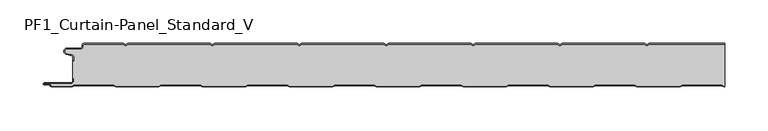
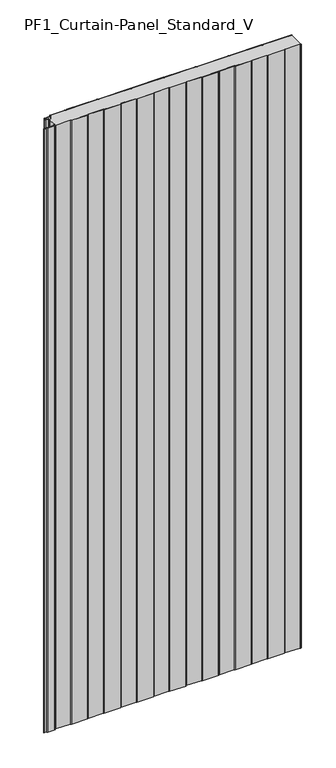
"""IFC4 building model written with IfcOpenShell, lengths in millimetres: plate geometry, PF1_Curtain-Panel_Standard_V."""

import ifcopenshell
import ifcopenshell.guid

model = None  # the IFC model being written
_history = None  # IfcOwnerHistory: only IFC2X3 demands one
_inside = {}  # id of a spatial element -> (the spatial element, [elements in it])
_under = {}  # id of a project, library or spatial element -> (it, [spatial elements below it])
_declared = {}  # id of a project -> (the project, [libraries it declares])
_typed = {}  # id of a type object -> (the type object, [elements of that type])
_made_of = {}  # id of a material, layer set ... -> (it, [elements and type objects made of it])


def new_model(schema):
    """Start an empty IFC model of exactly this schema.

    Asked for "IFC4X3", IfcOpenShell would pick the latest addendum, in which some entities
    have other attributes; the version numbers below select the first issue.
    IFC2X3 requires an IfcOwnerHistory on every rooted entity: one is made here for all.
    """
    global model, _history
    if schema == "IFC4X3":
        model = ifcopenshell.file(schema_version=(4, 3, 0, 0))
    else:
        model = ifcopenshell.file(schema=schema)
    _inside.clear()
    _under.clear()
    _declared.clear()
    _typed.clear()
    _made_of.clear()
    _history = None
    if model.schema == "IFC2X3":
        org = make("IfcOrganization", Name="unknown")
        user = make(
            "IfcPersonAndOrganization",
            ThePerson=make("IfcPerson", FamilyName="unknown"),
            TheOrganization=org,
        )
        app = make(
            "IfcApplication",
            ApplicationDeveloper=org,
            Version="unknown",
            ApplicationFullName="unknown",
            ApplicationIdentifier="unknown",
        )
        _history = make(
            "IfcOwnerHistory",
            OwningUser=user,
            OwningApplication=app,
            ChangeAction="ADDED",
            CreationDate=0,
        )
    return model


def make(cls, **values):
    """One entity of the class cls with the attributes given. An attribute that is None is left unset."""
    return model.create_entity(
        cls, **{name: value for name, value in values.items() if value is not None}
    )


def rooted(cls, **values):
    """An entity with a GlobalId (a new one), such as an element, a storey or a relation."""
    return make(cls, GlobalId=ifcopenshell.guid.new(), OwnerHistory=_history, **values)


def si_unit(unit_type, name, prefix=None):
    """IfcSIUnit, for example si_unit("LENGTHUNIT", "METRE", prefix="MILLI")."""
    return make("IfcSIUnit", UnitType=unit_type, Prefix=prefix, Name=name)


def assignment(units):
    """IfcUnitAssignment: the units of a project."""
    return None if units is None else make("IfcUnitAssignment", Units=units)


def point(xyz):
    """IfcCartesianPoint."""
    return None if xyz is None else make("IfcCartesianPoint", Coordinates=xyz)


def direction(xyz):
    """IfcDirection."""
    return None if xyz is None else make("IfcDirection", DirectionRatios=xyz)


def frame(location, z_axis=None, x_axis=None):
    """IfcAxis2Placement3D, a coordinate frame: its origin and axes. An axis left out is left unset."""
    return make(
        "IfcAxis2Placement3D",
        Location=point(location),
        Axis=direction(z_axis),
        RefDirection=direction(x_axis),
    )


def frame_2d(location, x_axis=None):
    """IfcAxis2Placement2D, a coordinate frame in the plane: its origin and x axis."""
    return make(
        "IfcAxis2Placement2D", Location=point(location), RefDirection=direction(x_axis)
    )


def origin():
    """The frame at (0, 0, 0) with its axes left unset."""
    return frame((0.0, 0.0, 0.0))


def origin_with_axes():
    """The frame at (0, 0, 0) with the z axis (0, 0, 1) and the x axis (1, 0, 0) written out."""
    return frame((0.0, 0.0, 0.0), z_axis=(0.0, 0.0, 1.0), x_axis=(1.0, 0.0, 0.0))


def place(relative_to, where):
    """IfcLocalPlacement: puts the frame where relative to a parent placement (None: the world)."""
    return make(
        "IfcLocalPlacement", PlacementRelTo=relative_to, RelativePlacement=where
    )


def context(
    kind, dimensions, precision=None, world=None, true_north=None, identifier=None
):
    """IfcGeometricRepresentationContext, for example the 3D "Model" context."""
    return make(
        "IfcGeometricRepresentationContext",
        ContextIdentifier=identifier,
        ContextType=kind,
        CoordinateSpaceDimension=dimensions,
        Precision=precision,
        WorldCoordinateSystem=world,
        TrueNorth=true_north,
    )


def project(units=None, contexts=None):
    """IfcProject with its units and contexts."""
    return rooted(
        "IfcProject",
        Name="project",
        RepresentationContexts=contexts,
        UnitsInContext=assignment(units),
    )


def spatial(cls, under=None, at=None, **own):
    """A site, building, storey or space (cls), placed at a placement, below another one or the project."""
    s = rooted(cls, ObjectPlacement=at, **own)
    if under is not None:
        _under.setdefault(under.id(), (under, []))[1].append(s)
    return s


def polyline(points):
    """IfcPolyline through the points."""
    return make("IfcPolyline", Points=[point(p) for p in points])


def circle_curve(where, radius):
    """IfcCircle in the frame where."""
    return make("IfcCircle", Position=where, Radius=radius)


def trimmed(basis, trim1, trim2, sense, master):
    """IfcTrimmedCurve: the piece of a basis curve between two trims."""
    return make(
        "IfcTrimmedCurve",
        BasisCurve=basis,
        Trim1=trim1,
        Trim2=trim2,
        SenseAgreement=sense,
        MasterRepresentation=master,
    )


def segment(curve, same_sense, transition):
    """IfcCompositeCurveSegment."""
    return make(
        "IfcCompositeCurveSegment",
        Transition=transition,
        SameSense=same_sense,
        ParentCurve=curve,
    )


def composite_curve(segments, self_intersect=None):
    """IfcCompositeCurve: segments joined end to end."""
    return make("IfcCompositeCurve", Segments=segments, SelfIntersect=self_intersect)


def outline(outer, holes=None, kind="AREA"):
    """IfcArbitraryClosedProfileDef: a profile drawn as a closed curve; with holes, ...WithVoids."""
    if holes is None:
        return make("IfcArbitraryClosedProfileDef", ProfileType=kind, OuterCurve=outer)
    return make(
        "IfcArbitraryProfileDefWithVoids",
        ProfileType=kind,
        OuterCurve=outer,
        InnerCurves=holes,
    )


def extrude(swept, where, along, depth):
    """IfcExtrudedAreaSolid: the profile swept, set in the frame where, extruded along a direction by depth."""
    return make(
        "IfcExtrudedAreaSolid",
        SweptArea=swept,
        Position=where,
        ExtrudedDirection=direction(along),
        Depth=depth,
    )


def shape(context_of_items, identifier, shape_type, items):
    """IfcShapeRepresentation: the items that make up one representation, for example the "Body"."""
    return make(
        "IfcShapeRepresentation",
        ContextOfItems=context_of_items,
        RepresentationIdentifier=identifier,
        RepresentationType=shape_type,
        Items=items,
    )


def source(mapping_origin, context_of_items, identifier, shape_type, items):
    """IfcRepresentationMap: a shape defined once, which mapped items show again and again."""
    return make(
        "IfcRepresentationMap",
        MappingOrigin=mapping_origin,
        MappedRepresentation=shape(context_of_items, identifier, shape_type, items),
    )


def transform(
    local_origin,
    x_axis=None,
    y_axis=None,
    z_axis=None,
    scale=None,
    scale2=None,
    scale3=None,
    uniform=True,
):
    """IfcCartesianTransformationOperator3D, or its non-uniform kind. x_axis, y_axis, z_axis: its Axis1, 2, 3."""
    if uniform:
        return make(
            "IfcCartesianTransformationOperator3D",
            Axis1=direction(x_axis),
            Axis2=direction(y_axis),
            LocalOrigin=point(local_origin),
            Scale=scale,
            Axis3=direction(z_axis),
        )
    return make(
        "IfcCartesianTransformationOperator3DnonUniform",
        Axis1=direction(x_axis),
        Axis2=direction(y_axis),
        LocalOrigin=point(local_origin),
        Scale=scale,
        Axis3=direction(z_axis),
        Scale2=scale2,
        Scale3=scale3,
    )


def mapped(mapping_source, mapping_target):
    """IfcMappedItem: shows the shape of a source again, moved by a transform."""
    return make(
        "IfcMappedItem", MappingSource=mapping_source, MappingTarget=mapping_target
    )


def made_of(thing, what):
    """Note that an element or type object is made of a material, layer set ...; save() writes the relation."""
    if what is not None:
        _made_of.setdefault(what.id(), (what, []))[1].append(thing)
    return thing


def element(
    cls,
    number,
    at=None,
    inside=None,
    cuts=None,
    type_object=None,
    material=None,
    context=None,
    identifier="Body",
    shape_type=None,
    held_by="IfcProductDefinitionShape",
    body=None,
    shapes=None,
    **own,
):
    """One element of the class cls, such as IfcWall. Its Tag is "e" and its number.

    at: its placement. inside: the storey or other place that contains it. cuts: it is an
    opening in that element (IfcRelVoidsElement). A single representation is given by context,
    identifier, shape_type and body (its items); several are given by shapes. held_by: the class
    of the entity that holds the representations. save() writes the other relations.
    """
    e = rooted(cls, Tag="e%d" % number, ObjectPlacement=at, **own)
    if body is not None:
        shapes = [shape(context, identifier, shape_type, body)]
    if shapes is not None:
        e.Representation = make(held_by, Representations=shapes)
    if inside is not None:
        _inside.setdefault(inside.id(), (inside, []))[1].append(e)
    if cuts is not None:
        rooted(
            "IfcRelVoidsElement", RelatingBuildingElement=cuts, RelatedOpeningElement=e
        )
    if type_object is not None:
        _typed.setdefault(type_object.id(), (type_object, []))[1].append(e)
    return made_of(e, material)


def aggregate(whole, parts):
    """IfcRelAggregates: a whole, such as a stair, and the parts it consists of."""
    return rooted("IfcRelAggregates", RelatingObject=whole, RelatedObjects=parts)


def save(model, path):
    """Write the relations noted so far, then the file.

    IfcRelAggregates (storeys below a building ...), IfcRelContainedInSpatialStructure (elements
    in a storey), IfcRelDefinesByType, IfcRelAssociatesMaterial and IfcRelDeclares: one each for
    every whole, place, type object, material and project.
    """
    for whole, parts in _under.values():
        aggregate(whole, parts)
    for where, things in _inside.values():
        rooted(
            "IfcRelContainedInSpatialStructure",
            RelatedElements=things,
            RelatingStructure=where,
        )
    for kind, things in _typed.values():
        rooted("IfcRelDefinesByType", RelatedObjects=things, RelatingType=kind)
    for what, things in _made_of.values():
        rooted("IfcRelAssociatesMaterial", RelatedObjects=things, RelatingMaterial=what)
    for by, libraries in _declared.values():
        rooted("IfcRelDeclares", RelatingContext=by, RelatedDefinitions=libraries)
    model.write(path)


def pf1_curtain_panel_standard_v_866d0e67(model_context):
    return source(origin(), model_context, "Body", "SweptSolid", [
        extrude(outline(composite_curve([segment(trimmed(circle_curve(frame_2d((-377.0119739, -15.878557)), 2.0), [point((-375.0119739, -15.878557))], [point((-376.5620718, -13.9298169))], True, "CARTESIAN"), True, "CONTINUOUS"), segment(polyline([(-376.5620718, -13.9298169), (-382.7217978, -12.507732)]), True, "CONTINUOUS"), segment(trimmed(circle_curve(frame_2d((-381.9119739, -9.0)), 3.6), [point((-382.7217978, -12.507732))], [point((-381.9119739, -5.4))], False, "CARTESIAN"), True, "CONTINUOUS"), segment(polyline([(-381.9119739, -5.4), (-366.4119739, -5.4)]), True, "CONTINUOUS"), segment(trimmed(circle_curve(frame_2d((-366.4119739, -3.4)), 2.0), [point((-366.4119739, -5.4))], [point((-364.4119739, -3.4))], True, "CARTESIAN"), True, "CONTINUOUS"), segment(polyline([(-364.4119739, -3.4), (-364.4119739, -2.0)]), True, "CONTINUOUS"), segment(trimmed(circle_curve(frame_2d((-362.4119739, -2.0)), 2.0), [point((-364.4119739, -2.0))], [point((-362.4119739, 0.0))], False, "CARTESIAN"), True, "CONTINUOUS"), segment(polyline([(-362.4119739, 0.0), (-317.1119734, 0.0), (-314.4119739, -1.5588455), (-311.7119745, 0.0), (-217.1119734, 0.0), (-214.4119739, -1.5588455), (-211.7119745, 0.0), (-117.1119734, 0.0), (-114.4119739, -1.5588455), (-111.7119745, 0.0), (-17.1119734, 0.0), (-14.4119739, -1.5588455), (-11.7119745, 0.0), (82.8880266, 0.0), (85.5880261, -1.5588455), (88.2880255, 0.0), (182.8880266, 0.0), (185.5880261, -1.5588455), (188.2880255, 0.0), (282.8880266, 0.0), (285.5880261, -1.5588455), (288.2880255, 0.0), (375.0119739, 0.0), (375.0119739, -0.8), (288.5023849, -0.8), (285.5880261, -2.482606), (282.6736672, -0.8), (188.5023849, -0.8), (185.5880261, -2.482606), (182.6736672, -0.8), (88.5023849, -0.8), (85.5880261, -2.482606), (82.6736672, -0.8), (-11.4976151, -0.8), (-14.4119739, -2.482606), (-17.3263328, -0.8), (-111.4976151, -0.8), (-114.4119739, -2.482606), (-117.3263328, -0.8), (-211.4976151, -0.8), (-214.4119739, -2.482606), (-217.3263328, -0.8), (-311.4976151, -0.8), (-314.4119739, -2.482606), (-317.3263328, -0.8), (-362.4119739, -0.8)]), True, "CONTINUOUS"), segment(trimmed(circle_curve(frame_2d((-362.4119739, -2.0)), 1.2), [point((-362.4119739, -0.8))], [point((-363.6119739, -2.0))], True, "CARTESIAN"), True, "CONTINUOUS"), segment(polyline([(-363.6119739, -2.0), (-363.6119739, -3.4)]), True, "CONTINUOUS"), segment(trimmed(circle_curve(frame_2d((-366.4119739, -3.4)), 2.8), [point((-363.6119739, -3.4))], [point((-366.4119739, -6.2))], False, "CARTESIAN"), True, "CONTINUOUS"), segment(polyline([(-366.4119739, -6.2), (-381.9119739, -6.2)]), True, "CONTINUOUS"), segment(trimmed(circle_curve(frame_2d((-381.9119739, -9.0)), 2.8), [point((-381.9119739, -6.2))], [point((-382.541837, -11.7282362))], True, "CARTESIAN"), True, "CONTINUOUS"), segment(polyline([(-382.541837, -11.7282362), (-376.3821109, -13.150321)]), True, "CONTINUOUS"), segment(trimmed(circle_curve(frame_2d((-377.0119739, -15.878557)), 2.8), [point((-376.3821109, -13.150321))], [point((-374.2119739, -15.878557))], False, "CARTESIAN"), True, "CONTINUOUS"), segment(polyline([(-374.2119739, -15.878557), (-374.2119739, -20.0), (-375.0119739, -20.0), (-375.0119739, -15.878557)]), True, "CONTINUOUS")], self_intersect=False)), origin_with_axes(), (0.0, 0.0, 1.0), 1945.7507136),
        extrude(outline(composite_curve([segment(polyline([(-374.2119739, -40.0), (-375.0119739, -40.0), (-375.0119739, -20.0), (-374.2119739, -20.0), (-374.2119739, -15.878557)]), True, "CONTINUOUS"), segment(trimmed(circle_curve(frame_2d((-377.0119739, -15.878557)), 2.8), [point((-374.2119739, -15.878557))], [point((-376.3821109, -13.1503208))], True, "CARTESIAN"), True, "CONTINUOUS"), segment(polyline([(-376.3821109, -13.1503208), (-382.5418369, -11.728236)]), True, "CONTINUOUS"), segment(trimmed(circle_curve(frame_2d((-381.9119739, -9.0)), 2.8), [point((-382.5418369, -11.728236))], [point((-381.9119739, -6.2))], False, "CARTESIAN"), True, "CONTINUOUS"), segment(polyline([(-381.9119739, -6.2), (-366.4119739, -6.2)]), True, "CONTINUOUS"), segment(trimmed(circle_curve(frame_2d((-366.4119739, -3.4)), 2.8), [point((-366.4119739, -6.2))], [point((-363.6119739, -3.4))], True, "CARTESIAN"), True, "CONTINUOUS"), segment(polyline([(-363.6119739, -3.4), (-363.6119739, -2.0)]), True, "CONTINUOUS"), segment(trimmed(circle_curve(frame_2d((-362.4119739, -2.0)), 1.2), [point((-363.6119739, -2.0))], [point((-362.4119739, -0.8))], False, "CARTESIAN"), True, "CONTINUOUS"), segment(polyline([(-362.4119739, -0.8), (-317.3263328, -0.8), (-314.4119739, -2.482606), (-311.4976151, -0.8), (-217.3263328, -0.8), (-214.4119739, -2.482606), (-211.4976151, -0.8), (-117.3263328, -0.8), (-114.4119739, -2.482606), (-111.4976151, -0.8), (-17.3263328, -0.8), (-14.4119739, -2.482606), (-11.4976151, -0.8), (82.6736672, -0.8), (85.5880261, -2.482606), (88.5023849, -0.8), (182.6736672, -0.8), (185.5880261, -2.482606), (188.5023849, -0.8), (282.6736672, -0.8), (285.5880261, -2.482606), (288.5023849, -0.8), (375.0119739, -0.8), (375.0119739, -49.2), (374.2032822, -49.2), (371.6052046, -47.7), (326.3764885, -47.7), (323.7784109, -49.2), (274.2032822, -49.2), (271.6052046, -47.7), (226.3764885, -47.7), (223.7784109, -49.2), (174.2032822, -49.2), (171.6052046, -47.7), (126.3764885, -47.7), (123.7784109, -49.2), (74.2032822, -49.2), (71.6052046, -47.7), (26.3764885, -47.7), (23.7784109, -49.2), (-25.7967178, -49.2), (-28.3947954, -47.7), (-73.6235115, -47.7), (-76.2215891, -49.2), (-125.7967178, -49.2), (-128.3947954, -47.7), (-173.6235115, -47.7), (-176.2215891, -49.2), (-225.7967178, -49.2), (-228.3947954, -47.7), (-273.6235115, -47.7), (-276.2215891, -49.2), (-325.7967178, -49.2), (-328.3947954, -47.7), (-373.6235115, -47.7), (-376.2215891, -49.2), (-399.4119739, -49.2)]), True, "CONTINUOUS"), segment(trimmed(circle_curve(frame_2d((-399.4119739, -48.4)), 0.8), [point((-399.4119739, -49.2))], [point((-400.2119739, -48.4))], False, "CARTESIAN"), True, "CONTINUOUS"), segment(trimmed(circle_curve(frame_2d((-401.9119739, -48.6133333)), 1.7133333), [point((-400.2119739, -48.4))], [point((-401.9119739, -46.9))], True, "CARTESIAN"), True, "CONTINUOUS"), segment(polyline([(-401.9119739, -46.9), (-407.8820051, -46.9)]), True, "CONTINUOUS"), segment(trimmed(circle_curve(frame_2d((-407.8820051, -46.6)), 0.3), [point((-407.8820051, -46.9))], [point((-407.8820051, -46.3))], False, "CARTESIAN"), True, "CONTINUOUS"), segment(polyline([(-407.8820051, -46.3), (-377.0119739, -46.3)]), True, "CONTINUOUS"), segment(trimmed(circle_curve(frame_2d((-377.0119739, -43.5)), 2.8), [point((-377.0119739, -46.3))], [point((-374.2119739, -43.5))], True, "CARTESIAN"), True, "CONTINUOUS"), segment(polyline([(-374.2119739, -43.5), (-374.2119739, -40.0)]), True, "CONTINUOUS")], self_intersect=False)), origin_with_axes(), (0.0, 0.0, 1.0), 1945.7507136),
        extrude(outline(composite_curve([segment(polyline([(-375.0119739, -40.0), (-374.2119739, -40.0), (-374.2119739, -43.5)]), True, "CONTINUOUS"), segment(trimmed(circle_curve(frame_2d((-377.0119739, -43.5)), 2.8), [point((-374.2119739, -43.5))], [point((-377.0119739, -46.3))], False, "CARTESIAN"), True, "CONTINUOUS"), segment(polyline([(-377.0119739, -46.3), (-407.8820051, -46.3)]), True, "CONTINUOUS"), segment(trimmed(circle_curve(frame_2d((-407.8820051, -46.6)), 0.3), [point((-407.8820051, -46.3))], [point((-407.8820051, -46.9))], True, "CARTESIAN"), True, "CONTINUOUS"), segment(polyline([(-407.8820051, -46.9), (-401.9119739, -46.9)]), True, "CONTINUOUS"), segment(trimmed(circle_curve(frame_2d((-401.9119739, -48.6133333)), 1.7133333), [point((-401.9119739, -46.9))], [point((-400.2119739, -48.4))], False, "CARTESIAN"), True, "CONTINUOUS"), segment(trimmed(circle_curve(frame_2d((-399.4119739, -48.4)), 0.8), [point((-400.2119739, -48.4))], [point((-399.4119739, -49.2))], True, "CARTESIAN"), True, "CONTINUOUS"), segment(polyline([(-399.4119739, -49.2), (-376.2215891, -49.2), (-373.6235115, -47.7), (-328.3947954, -47.7), (-325.7967178, -49.2), (-276.2215891, -49.2), (-273.6235115, -47.7), (-228.3947954, -47.7), (-225.7967178, -49.2), (-176.2215891, -49.2), (-173.6235115, -47.7), (-128.3947954, -47.7), (-125.7967178, -49.2), (-76.2215891, -49.2), (-73.6235115, -47.7), (-28.3947954, -47.7), (-25.7967178, -49.2), (23.7784109, -49.2), (26.3764885, -47.7), (71.6052046, -47.7), (74.2032822, -49.2), (123.7784109, -49.2), (126.3764885, -47.7), (171.6052046, -47.7), (174.2032822, -49.2), (223.7784109, -49.2), (226.3764885, -47.7), (271.6052046, -47.7), (274.2032822, -49.2), (323.7784109, -49.2), (326.3764885, -47.7), (371.6052046, -47.7), (374.2032822, -49.2), (375.0119739, -49.2), (375.0119739, -50.0), (373.988923, -50.0), (371.3908454, -48.5), (326.5908477, -48.5), (323.9927701, -50.0), (273.988923, -50.0), (271.3908454, -48.5), (226.5908477, -48.5), (223.9927701, -50.0), (173.988923, -50.0), (171.3908454, -48.5), (126.5908477, -48.5), (123.9927701, -50.0), (73.988923, -50.0), (71.3908454, -48.5), (26.5908477, -48.5), (23.9927701, -50.0), (-26.011077, -50.0), (-28.6091546, -48.5), (-73.4091523, -48.5), (-76.0072299, -50.0), (-126.011077, -50.0), (-128.6091546, -48.5), (-173.4091523, -48.5), (-176.0072299, -50.0), (-226.011077, -50.0), (-228.6091546, -48.5), (-273.4091523, -48.5), (-276.0072299, -50.0), (-326.011077, -50.0), (-328.6091546, -48.5), (-373.4091523, -48.5), (-376.0072299, -50.0), (-399.4119739, -50.0)]), True, "CONTINUOUS"), segment(trimmed(circle_curve(frame_2d((-399.4119739, -48.4)), 1.6), [point((-399.4119739, -50.0))], [point((-401.0119739, -48.4))], False, "CARTESIAN"), True, "CONTINUOUS"), segment(trimmed(circle_curve(frame_2d((-401.9119739, -48.4)), 0.9), [point((-401.0119739, -48.4))], [point((-401.9119739, -47.5))], True, "CARTESIAN"), True, "CONTINUOUS"), segment(polyline([(-401.9119739, -47.5), (-408.0119739, -47.5)]), True, "CONTINUOUS"), segment(trimmed(circle_curve(frame_2d((-408.0119739, -46.5)), 1.0), [point((-408.0119739, -47.5))], [point((-408.0119739, -45.5))], False, "CARTESIAN"), True, "CONTINUOUS"), segment(polyline([(-408.0119739, -45.5), (-377.0119739, -45.5)]), True, "CONTINUOUS"), segment(trimmed(circle_curve(frame_2d((-377.0119739, -43.5)), 2.0), [point((-377.0119739, -45.5))], [point((-375.0119739, -43.5))], True, "CARTESIAN"), True, "CONTINUOUS"), segment(polyline([(-375.0119739, -43.5), (-375.0119739, -40.0)]), True, "CONTINUOUS")], self_intersect=False)), origin_with_axes(), (0.0, 0.0, 1.0), 1945.7507136),
    ])


if __name__ == "__main__":
    model = new_model("IFC4")
    model_context = context("Model", 3, world=origin())
    ifc_project = project(units=[si_unit("LENGTHUNIT", "METRE", prefix="MILLI")], contexts=[model_context])
    site = spatial("IfcSite", under=ifc_project)
    building = spatial("IfcBuilding", under=site)
    placement = place(None, origin())
    pf1_curtain_panel_standard_v_shape = pf1_curtain_panel_standard_v_866d0e67(model_context)
    element("IfcPlate", 1, ObjectType="PF1_Curtain-Panel_Standard_V", at=placement, inside=building, context=model_context, shape_type="MappedRepresentation", body=[
        mapped(pf1_curtain_panel_standard_v_shape, transform((0.0, 0.0, 0.0), x_axis=(1.0, 0.0, 0.0), y_axis=(0.0, 1.0, 0.0), z_axis=(0.0, 0.0, 1.0))),
    ])
    save(model, "model.ifc")
